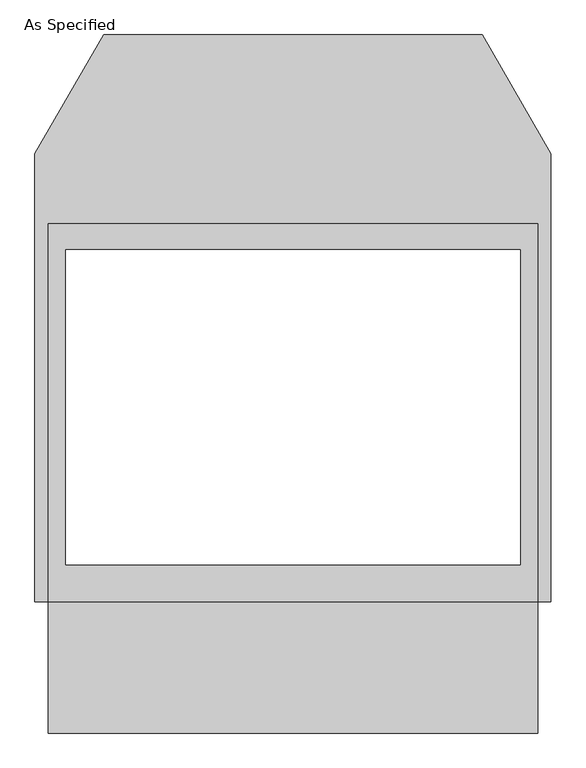
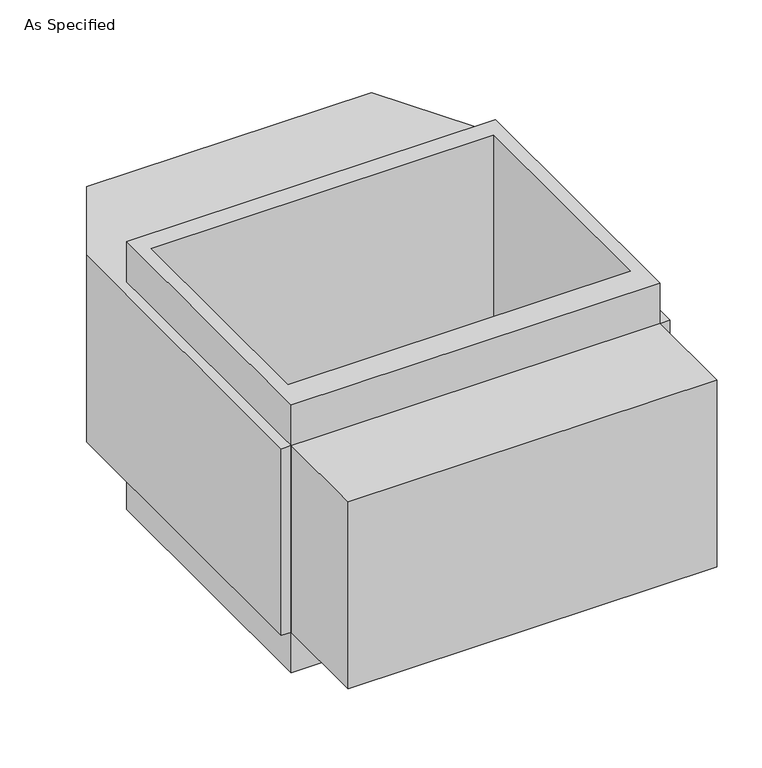
"""IFC4 building model written with IfcOpenShell, lengths in millimetres: proxy geometry, As Specified."""

from ifc_helpers import new_model, si_unit, frame, origin, place, context, project, spatial, polyline, outline, extrude, source, transform, mapped, element, save


def as_specified_0191e3a5(model_context):
    return source(origin(), model_context, "Body", "SweptSolid", [
        extrude(outline(polyline([(711.2, 465.4351562), (711.2, -633.1148438), (-711.2, -633.1148438), (-711.2, 465.4351562), (711.2, 465.4351562)]), holes=[polyline([(-660.4, 389.2748437), (-660.4, -525.1251563), (660.4, -525.1251563), (660.4, 389.2748437), (-660.4, 389.2748437)])]), frame((0.0, 0.0, -952.5), z_axis=(0.0, 0.0, 1.0), x_axis=(1.0, 0.0, 0.0)), (0.0, 0.0, 1.0), 1092.2),
        extrude(outline(polyline([(711.2, -1014.1148438), (-711.2, -1014.1148438), (-711.2, -633.1148438), (-749.3, -633.1148438), (-749.3, 668.6748437), (-549.860123, 1014.1148437), (549.860123, 1014.1148437), (749.3, 668.6748437), (749.3, -633.1148438), (711.2, -633.1148438), (711.2, -1014.1148438)]), holes=[polyline([(660.4, -525.1251563), (660.4, 389.2748437), (-660.4, 389.2748437), (-660.4, -525.1251563), (660.4, -525.1251563)])]), frame((0.0, 0.0, -787.4), z_axis=(0.0, 0.0, 1.0), x_axis=(1.0, 0.0, 0.0)), (0.0, 0.0, 1.0), 762.0),
    ])


if __name__ == "__main__":
    model = new_model("IFC4")
    model_context = context("Model", 3, world=origin())
    ifc_project = project(units=[si_unit("LENGTHUNIT", "METRE", prefix="MILLI")], contexts=[model_context])
    site = spatial("IfcSite", under=ifc_project)
    building = spatial("IfcBuilding", under=site)
    placement = place(None, origin())
    as_specified_shape = as_specified_0191e3a5(model_context)
    element("IfcBuildingElementProxy", 1, Name="As Specified", ObjectType="As Specified", at=placement, inside=building, context=model_context, shape_type="MappedRepresentation", body=[
        mapped(as_specified_shape, transform((0.0, 0.0, 0.0), x_axis=(1.0, 0.0, 0.0), y_axis=(0.0, 1.0, 0.0), z_axis=(0.0, 0.0, 1.0))),
    ])
    save(model, "model.ifc")
